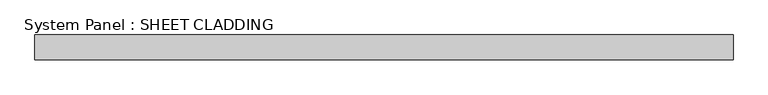
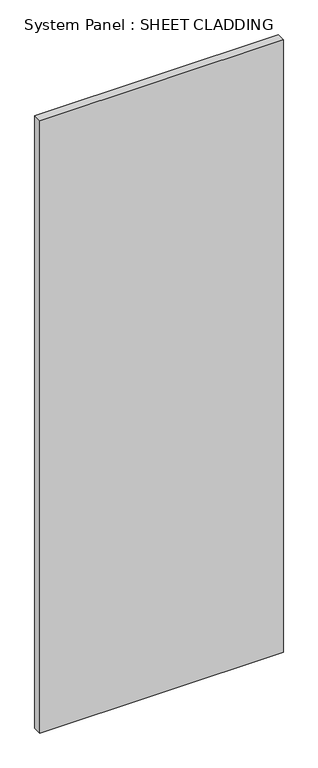
"""IFC4 building model written with IfcOpenShell, lengths in millimetres: plate geometry, System Panel : SHEET CLADDING."""

import ifcopenshell
import ifcopenshell.guid

model = None  # the IFC model being written
_history = None  # IfcOwnerHistory: only IFC2X3 demands one
_inside = {}  # id of a spatial element -> (the spatial element, [elements in it])
_under = {}  # id of a project, library or spatial element -> (it, [spatial elements below it])
_declared = {}  # id of a project -> (the project, [libraries it declares])
_typed = {}  # id of a type object -> (the type object, [elements of that type])
_made_of = {}  # id of a material, layer set ... -> (it, [elements and type objects made of it])


def new_model(schema):
    """Start an empty IFC model of exactly this schema.

    Asked for "IFC4X3", IfcOpenShell would pick the latest addendum, in which some entities
    have other attributes; the version numbers below select the first issue.
    IFC2X3 requires an IfcOwnerHistory on every rooted entity: one is made here for all.
    """
    global model, _history
    if schema == "IFC4X3":
        model = ifcopenshell.file(schema_version=(4, 3, 0, 0))
    else:
        model = ifcopenshell.file(schema=schema)
    _inside.clear()
    _under.clear()
    _declared.clear()
    _typed.clear()
    _made_of.clear()
    _history = None
    if model.schema == "IFC2X3":
        org = make("IfcOrganization", Name="unknown")
        user = make(
            "IfcPersonAndOrganization",
            ThePerson=make("IfcPerson", FamilyName="unknown"),
            TheOrganization=org,
        )
        app = make(
            "IfcApplication",
            ApplicationDeveloper=org,
            Version="unknown",
            ApplicationFullName="unknown",
            ApplicationIdentifier="unknown",
        )
        _history = make(
            "IfcOwnerHistory",
            OwningUser=user,
            OwningApplication=app,
            ChangeAction="ADDED",
            CreationDate=0,
        )
    return model


def make(cls, **values):
    """One entity of the class cls with the attributes given. An attribute that is None is left unset."""
    return model.create_entity(
        cls, **{name: value for name, value in values.items() if value is not None}
    )


def rooted(cls, **values):
    """An entity with a GlobalId (a new one), such as an element, a storey or a relation."""
    return make(cls, GlobalId=ifcopenshell.guid.new(), OwnerHistory=_history, **values)


def si_unit(unit_type, name, prefix=None):
    """IfcSIUnit, for example si_unit("LENGTHUNIT", "METRE", prefix="MILLI")."""
    return make("IfcSIUnit", UnitType=unit_type, Prefix=prefix, Name=name)


def assignment(units):
    """IfcUnitAssignment: the units of a project."""
    return None if units is None else make("IfcUnitAssignment", Units=units)


def point(xyz):
    """IfcCartesianPoint."""
    return None if xyz is None else make("IfcCartesianPoint", Coordinates=xyz)


def direction(xyz):
    """IfcDirection."""
    return None if xyz is None else make("IfcDirection", DirectionRatios=xyz)


def frame(location, z_axis=None, x_axis=None):
    """IfcAxis2Placement3D, a coordinate frame: its origin and axes. An axis left out is left unset."""
    return make(
        "IfcAxis2Placement3D",
        Location=point(location),
        Axis=direction(z_axis),
        RefDirection=direction(x_axis),
    )


def origin():
    """The frame at (0, 0, 0) with its axes left unset."""
    return frame((0.0, 0.0, 0.0))


def origin_with_axes():
    """The frame at (0, 0, 0) with the z axis (0, 0, 1) and the x axis (1, 0, 0) written out."""
    return frame((0.0, 0.0, 0.0), z_axis=(0.0, 0.0, 1.0), x_axis=(1.0, 0.0, 0.0))


def place(relative_to, where):
    """IfcLocalPlacement: puts the frame where relative to a parent placement (None: the world)."""
    return make(
        "IfcLocalPlacement", PlacementRelTo=relative_to, RelativePlacement=where
    )


def context(
    kind, dimensions, precision=None, world=None, true_north=None, identifier=None
):
    """IfcGeometricRepresentationContext, for example the 3D "Model" context."""
    return make(
        "IfcGeometricRepresentationContext",
        ContextIdentifier=identifier,
        ContextType=kind,
        CoordinateSpaceDimension=dimensions,
        Precision=precision,
        WorldCoordinateSystem=world,
        TrueNorth=true_north,
    )


def project(units=None, contexts=None):
    """IfcProject with its units and contexts."""
    return rooted(
        "IfcProject",
        Name="project",
        RepresentationContexts=contexts,
        UnitsInContext=assignment(units),
    )


def spatial(cls, under=None, at=None, **own):
    """A site, building, storey or space (cls), placed at a placement, below another one or the project."""
    s = rooted(cls, ObjectPlacement=at, **own)
    if under is not None:
        _under.setdefault(under.id(), (under, []))[1].append(s)
    return s


def polyline(points):
    """IfcPolyline through the points."""
    return make("IfcPolyline", Points=[point(p) for p in points])


def outline(outer, holes=None, kind="AREA"):
    """IfcArbitraryClosedProfileDef: a profile drawn as a closed curve; with holes, ...WithVoids."""
    if holes is None:
        return make("IfcArbitraryClosedProfileDef", ProfileType=kind, OuterCurve=outer)
    return make(
        "IfcArbitraryProfileDefWithVoids",
        ProfileType=kind,
        OuterCurve=outer,
        InnerCurves=holes,
    )


def extrude(swept, where, along, depth):
    """IfcExtrudedAreaSolid: the profile swept, set in the frame where, extruded along a direction by depth."""
    return make(
        "IfcExtrudedAreaSolid",
        SweptArea=swept,
        Position=where,
        ExtrudedDirection=direction(along),
        Depth=depth,
    )


def shape(context_of_items, identifier, shape_type, items):
    """IfcShapeRepresentation: the items that make up one representation, for example the "Body"."""
    return make(
        "IfcShapeRepresentation",
        ContextOfItems=context_of_items,
        RepresentationIdentifier=identifier,
        RepresentationType=shape_type,
        Items=items,
    )


def source(mapping_origin, context_of_items, identifier, shape_type, items):
    """IfcRepresentationMap: a shape defined once, which mapped items show again and again."""
    return make(
        "IfcRepresentationMap",
        MappingOrigin=mapping_origin,
        MappedRepresentation=shape(context_of_items, identifier, shape_type, items),
    )


def transform(
    local_origin,
    x_axis=None,
    y_axis=None,
    z_axis=None,
    scale=None,
    scale2=None,
    scale3=None,
    uniform=True,
):
    """IfcCartesianTransformationOperator3D, or its non-uniform kind. x_axis, y_axis, z_axis: its Axis1, 2, 3."""
    if uniform:
        return make(
            "IfcCartesianTransformationOperator3D",
            Axis1=direction(x_axis),
            Axis2=direction(y_axis),
            LocalOrigin=point(local_origin),
            Scale=scale,
            Axis3=direction(z_axis),
        )
    return make(
        "IfcCartesianTransformationOperator3DnonUniform",
        Axis1=direction(x_axis),
        Axis2=direction(y_axis),
        LocalOrigin=point(local_origin),
        Scale=scale,
        Axis3=direction(z_axis),
        Scale2=scale2,
        Scale3=scale3,
    )


def mapped(mapping_source, mapping_target):
    """IfcMappedItem: shows the shape of a source again, moved by a transform."""
    return make(
        "IfcMappedItem", MappingSource=mapping_source, MappingTarget=mapping_target
    )


def made_of(thing, what):
    """Note that an element or type object is made of a material, layer set ...; save() writes the relation."""
    if what is not None:
        _made_of.setdefault(what.id(), (what, []))[1].append(thing)
    return thing


def element(
    cls,
    number,
    at=None,
    inside=None,
    cuts=None,
    type_object=None,
    material=None,
    context=None,
    identifier="Body",
    shape_type=None,
    held_by="IfcProductDefinitionShape",
    body=None,
    shapes=None,
    **own,
):
    """One element of the class cls, such as IfcWall. Its Tag is "e" and its number.

    at: its placement. inside: the storey or other place that contains it. cuts: it is an
    opening in that element (IfcRelVoidsElement). A single representation is given by context,
    identifier, shape_type and body (its items); several are given by shapes. held_by: the class
    of the entity that holds the representations. save() writes the other relations.
    """
    e = rooted(cls, Tag="e%d" % number, ObjectPlacement=at, **own)
    if body is not None:
        shapes = [shape(context, identifier, shape_type, body)]
    if shapes is not None:
        e.Representation = make(held_by, Representations=shapes)
    if inside is not None:
        _inside.setdefault(inside.id(), (inside, []))[1].append(e)
    if cuts is not None:
        rooted(
            "IfcRelVoidsElement", RelatingBuildingElement=cuts, RelatedOpeningElement=e
        )
    if type_object is not None:
        _typed.setdefault(type_object.id(), (type_object, []))[1].append(e)
    return made_of(e, material)


def aggregate(whole, parts):
    """IfcRelAggregates: a whole, such as a stair, and the parts it consists of."""
    return rooted("IfcRelAggregates", RelatingObject=whole, RelatedObjects=parts)


def save(model, path):
    """Write the relations noted so far, then the file.

    IfcRelAggregates (storeys below a building ...), IfcRelContainedInSpatialStructure (elements
    in a storey), IfcRelDefinesByType, IfcRelAssociatesMaterial and IfcRelDeclares: one each for
    every whole, place, type object, material and project.
    """
    for whole, parts in _under.values():
        aggregate(whole, parts)
    for where, things in _inside.values():
        rooted(
            "IfcRelContainedInSpatialStructure",
            RelatedElements=things,
            RelatingStructure=where,
        )
    for kind, things in _typed.values():
        rooted("IfcRelDefinesByType", RelatedObjects=things, RelatingType=kind)
    for what, things in _made_of.values():
        rooted("IfcRelAssociatesMaterial", RelatedObjects=things, RelatingMaterial=what)
    for by, libraries in _declared.values():
        rooted("IfcRelDeclares", RelatingContext=by, RelatedDefinitions=libraries)
    model.write(path)


def system_panel_sheet_cladding_76debe60(model_context):
    return source(origin(), model_context, "Body", "SweptSolid", [
        extrude(outline(polyline([(846.6012095, -10.5), (-846.6012095, -10.5), (-846.6012095, 49.5), (846.6012095, 49.5), (846.6012095, -10.5)])), origin_with_axes(), (0.0, 0.0, 1.0), 4500.0),
    ])


if __name__ == "__main__":
    model = new_model("IFC4")
    model_context = context("Model", 3, world=origin())
    ifc_project = project(units=[si_unit("LENGTHUNIT", "METRE", prefix="MILLI")], contexts=[model_context])
    site = spatial("IfcSite", under=ifc_project)
    building = spatial("IfcBuilding", under=site)
    placement = place(None, origin())
    system_panel_sheet_cladding_shape = system_panel_sheet_cladding_76debe60(model_context)
    element("IfcPlate", 1, ObjectType="System Panel : SHEET CLADDING", at=placement, inside=building, context=model_context, shape_type="MappedRepresentation", body=[
        mapped(system_panel_sheet_cladding_shape, transform((0.0, 0.0, 0.0), x_axis=(1.0, 0.0, 0.0), y_axis=(0.0, 1.0, 0.0), z_axis=(0.0, 0.0, 1.0))),
    ])
    save(model, "model.ifc")
